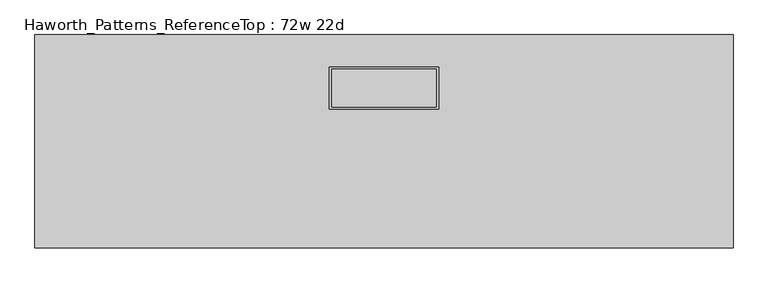
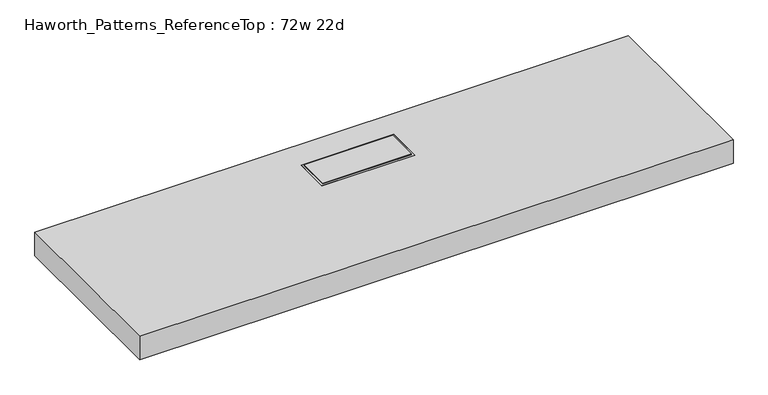
"""IFC4 building model written with IfcOpenShell, lengths in millimetres: furniture geometry, Haworth_Patterns_ReferenceTop : 72w 22d."""

from ifc_helpers import new_model, si_unit, origin, place, context, project, spatial, faceted_brep, source, transform, mapped, element, save


def haworth_patterns_referencetop_72w_22d_5268bcfe(model_context):
    return source(origin(), model_context, "Body", "Brep", [
        faceted_brep([(136.525, 188.9125, 1209.675), (-136.525, 188.9125, 1209.675), (-136.525, 90.4875, 1209.675), (136.525, 90.4875, 1209.675), (136.525, 188.9125, 1206.5), (-136.525, 188.9125, 1206.5), (-136.525, 90.4875, 1206.5), (136.525, 90.4875, 1206.5), (142.875, 195.2625, 1136.65), (142.875, 84.1375, 1136.65), (-142.875, 84.1375, 1136.65), (-142.875, 195.2625, 1136.65), (142.875, 195.2625, 1206.5), (-142.875, 195.2625, 1206.5), (-142.875, 84.1375, 1206.5), (142.875, 84.1375, 1206.5)], [[[0, 1, 2, 3]], [[1, 0, 4, 5]], [[2, 1, 5, 6]], [[3, 2, 6, 7]], [[0, 3, 7, 4]], [[8, 9, 10, 11]], [[12, 13, 14, 15], [5, 4, 7, 6]], [[8, 11, 13, 12]], [[11, 10, 14, 13]], [[10, 9, 15, 14]], [[9, 8, 12, 15]]]),
        faceted_brep([(914.4, 279.4, 1206.5), (-914.4, 279.4, 1206.5), (-914.4, -279.4, 1206.5), (914.4, -279.4, 1206.5), (-142.875, 195.2625, 1206.5), (142.875, 195.2625, 1206.5), (142.875, 84.1375, 1206.5), (-142.875, 84.1375, 1206.5), (914.4, 279.4, 1130.3), (914.4, -279.4, 1130.3), (-914.4, -279.4, 1130.3), (-914.4, 279.4, 1130.3), (-142.875, 195.2625, 1136.65), (142.875, 195.2625, 1136.65), (-142.875, 84.1375, 1136.65), (142.875, 84.1375, 1136.65)], [[[0, 1, 2, 3], [4, 5, 6, 7]], [[8, 9, 10, 11]], [[1, 0, 8, 11]], [[2, 1, 11, 10]], [[3, 2, 10, 9]], [[0, 3, 9, 8]], [[12, 13, 5, 4]], [[14, 12, 4, 7]], [[15, 14, 7, 6]], [[13, 15, 6, 5]], [[13, 12, 14, 15]]]),
    ])


if __name__ == "__main__":
    model = new_model("IFC4")
    model_context = context("Model", 3, world=origin())
    ifc_project = project(units=[si_unit("LENGTHUNIT", "METRE", prefix="MILLI")], contexts=[model_context])
    site = spatial("IfcSite", under=ifc_project)
    building = spatial("IfcBuilding", under=site)
    placement = place(None, origin())
    haworth_patterns_referencetop_72w_22d_shape = haworth_patterns_referencetop_72w_22d_5268bcfe(model_context)
    element("IfcFurniture", 1, ObjectType="Haworth_Patterns_ReferenceTop : 72w 22d", at=placement, inside=building, context=model_context, shape_type="MappedRepresentation", body=[
        mapped(haworth_patterns_referencetop_72w_22d_shape, transform((0.0, 0.0, 0.0), x_axis=(1.0, 0.0, 0.0), y_axis=(0.0, 1.0, 0.0), z_axis=(0.0, 0.0, 1.0))),
    ])
    save(model, "model.ifc")
